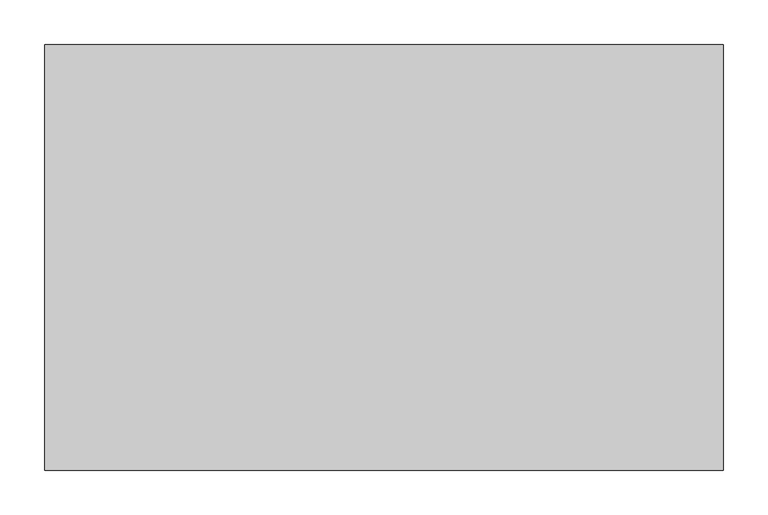
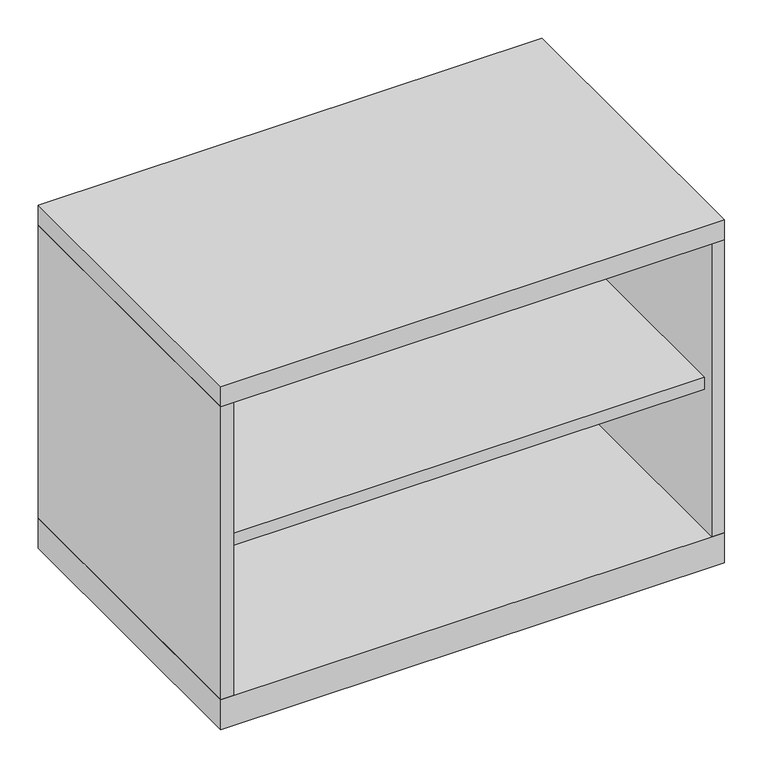
"""IFC4 building model written with IfcOpenShell, lengths in millimetres: furniture geometry."""

from ifc_helpers import new_model, si_unit, frame, origin, origin_with_axes, place, context, project, spatial, polyline, outline, extrude, source, transform, mapped, element, save


def furniture_480b577b(model_context):
    return source(origin(), model_context, "Body", "SweptSolid", [
        extrude(outline(polyline([(360.3625, -19.05), (360.3625, -457.2), (-360.3625, -457.2), (-360.3625, -19.05), (360.3625, -19.05)])), frame((0.0, 0.0, 271.4625), z_axis=(0.0, 0.0, 1.0), x_axis=(1.0, 0.0, 0.0)), (0.0, 0.0, 1.0), 19.05),
        extrude(outline(polyline([(379.4125, 0.0), (379.4125, -476.25), (-379.4125, -476.25), (-379.4125, 0.0), (379.4125, 0.0)])), origin_with_axes(), (0.0, 0.0, 1.0), 47.625),
        extrude(outline(polyline([(379.4125, 0.0), (379.4125, -476.25), (-379.4125, -476.25), (-379.4125, 0.0), (379.4125, 0.0)])), frame((0.0, 0.0, 514.35), z_axis=(0.0, 0.0, 1.0), x_axis=(1.0, 0.0, 0.0)), (0.0, 0.0, 1.0), 31.75),
        extrude(outline(polyline([(379.4125, 0.0), (379.4125, -476.25), (360.3625, -476.25), (360.3625, -19.05), (-360.3625, -19.05), (-360.3625, -476.25), (-379.4125, -476.25), (-379.4125, 0.0), (379.4125, 0.0)])), frame((0.0, 0.0, 47.625), z_axis=(0.0, 0.0, 1.0), x_axis=(1.0, 0.0, 0.0)), (0.0, 0.0, 1.0), 466.725),
    ])


if __name__ == "__main__":
    model = new_model("IFC4")
    model_context = context("Model", 3, world=origin())
    ifc_project = project(units=[si_unit("LENGTHUNIT", "METRE", prefix="MILLI")], contexts=[model_context])
    site = spatial("IfcSite", under=ifc_project)
    building = spatial("IfcBuilding", under=site)
    placement = place(None, origin())
    furniture_shape = furniture_480b577b(model_context)
    element("IfcFurniture", 1, at=placement, inside=building, context=model_context, shape_type="MappedRepresentation", body=[
        mapped(furniture_shape, transform((0.0, 0.0, 0.0), x_axis=(1.0, 0.0, 0.0), y_axis=(0.0, 1.0, 0.0), z_axis=(0.0, 0.0, 1.0))),
    ])
    save(model, "model.ifc")
